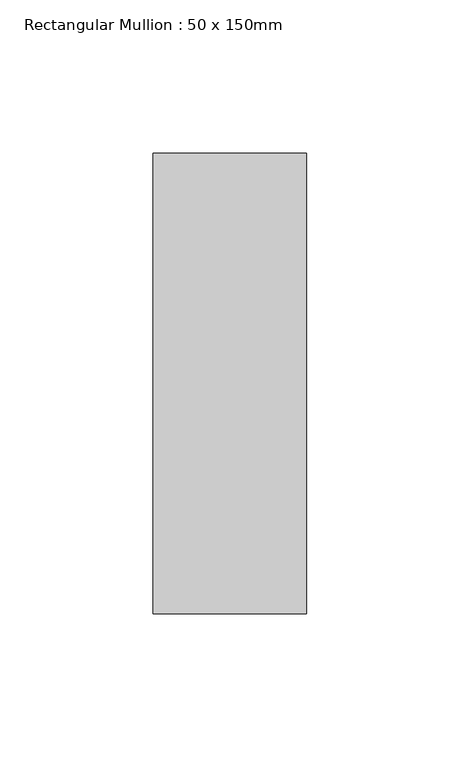
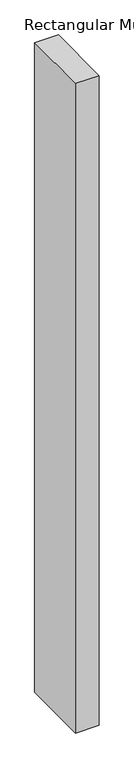
"""IFC4 building model written with IfcOpenShell, lengths in millimetres: member geometry, Rectangular Mullion : 50 x 150mm."""

from ifc_helpers import new_model, si_unit, frame, origin, place, context, project, spatial, polyline, outline, extrude, source, transform, mapped, element, save


def rectangular_mullion_50_x_150mm_0216ed1d(model_context):
    return source(origin(), model_context, "Body", "SweptSolid", [
        extrude(outline(polyline([(25.0, 75.0), (25.0, -75.0), (-25.0, -75.0), (-25.0, 75.0), (25.0, 75.0)])), frame((0.0, 0.0, -1455.004786), z_axis=(0.0, 0.0, 1.0), x_axis=(1.0, 0.0, 0.0)), (0.0, 0.0, 1.0), 1455.004786),
    ])


if __name__ == "__main__":
    model = new_model("IFC4")
    model_context = context("Model", 3, world=origin())
    ifc_project = project(units=[si_unit("LENGTHUNIT", "METRE", prefix="MILLI")], contexts=[model_context])
    site = spatial("IfcSite", under=ifc_project)
    building = spatial("IfcBuilding", under=site)
    placement = place(None, origin())
    rectangular_mullion_50_x_150mm_shape = rectangular_mullion_50_x_150mm_0216ed1d(model_context)
    element("IfcMember", 1, ObjectType="Rectangular Mullion : 50 x 150mm", at=placement, inside=building, context=model_context, shape_type="MappedRepresentation", body=[
        mapped(rectangular_mullion_50_x_150mm_shape, transform((0.0, 0.0, 0.0), x_axis=(1.0, 0.0, 0.0), y_axis=(0.0, 1.0, 0.0), z_axis=(0.0, 0.0, 1.0))),
    ])
    save(model, "model.ifc")
